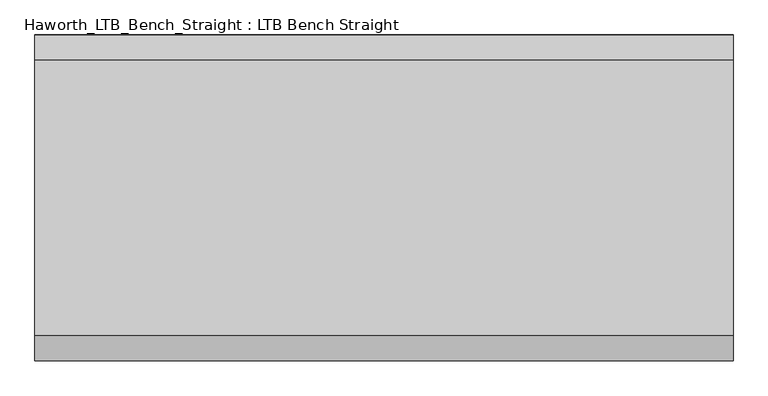
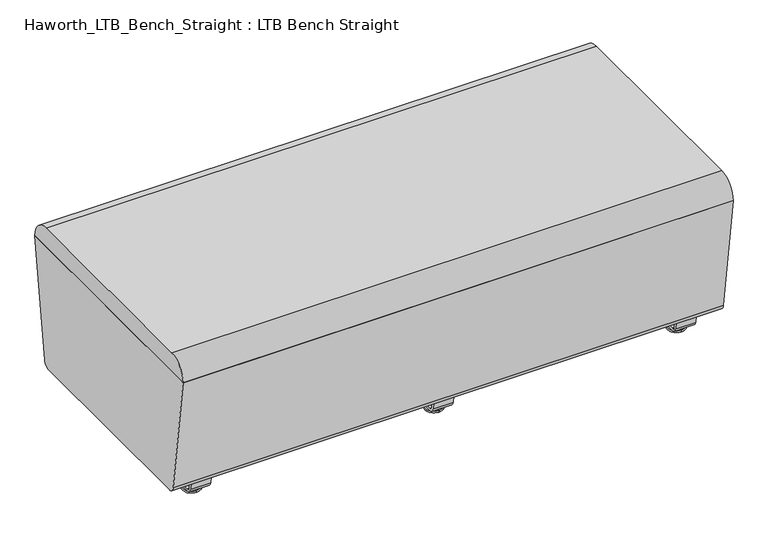
"""IFC4 building model written with IfcOpenShell, lengths in millimetres: furniture geometry, Haworth_LTB_Bench_Straight : LTB Bench Straight."""

import ifcopenshell
import ifcopenshell.guid

model = None  # the IFC model being written
_history = None  # IfcOwnerHistory: only IFC2X3 demands one
_inside = {}  # id of a spatial element -> (the spatial element, [elements in it])
_under = {}  # id of a project, library or spatial element -> (it, [spatial elements below it])
_declared = {}  # id of a project -> (the project, [libraries it declares])
_typed = {}  # id of a type object -> (the type object, [elements of that type])
_made_of = {}  # id of a material, layer set ... -> (it, [elements and type objects made of it])


def new_model(schema):
    """Start an empty IFC model of exactly this schema.

    Asked for "IFC4X3", IfcOpenShell would pick the latest addendum, in which some entities
    have other attributes; the version numbers below select the first issue.
    IFC2X3 requires an IfcOwnerHistory on every rooted entity: one is made here for all.
    """
    global model, _history
    if schema == "IFC4X3":
        model = ifcopenshell.file(schema_version=(4, 3, 0, 0))
    else:
        model = ifcopenshell.file(schema=schema)
    _inside.clear()
    _under.clear()
    _declared.clear()
    _typed.clear()
    _made_of.clear()
    _history = None
    if model.schema == "IFC2X3":
        org = make("IfcOrganization", Name="unknown")
        user = make(
            "IfcPersonAndOrganization",
            ThePerson=make("IfcPerson", FamilyName="unknown"),
            TheOrganization=org,
        )
        app = make(
            "IfcApplication",
            ApplicationDeveloper=org,
            Version="unknown",
            ApplicationFullName="unknown",
            ApplicationIdentifier="unknown",
        )
        _history = make(
            "IfcOwnerHistory",
            OwningUser=user,
            OwningApplication=app,
            ChangeAction="ADDED",
            CreationDate=0,
        )
    return model


def make(cls, **values):
    """One entity of the class cls with the attributes given. An attribute that is None is left unset."""
    return model.create_entity(
        cls, **{name: value for name, value in values.items() if value is not None}
    )


def rooted(cls, **values):
    """An entity with a GlobalId (a new one), such as an element, a storey or a relation."""
    return make(cls, GlobalId=ifcopenshell.guid.new(), OwnerHistory=_history, **values)


def si_unit(unit_type, name, prefix=None):
    """IfcSIUnit, for example si_unit("LENGTHUNIT", "METRE", prefix="MILLI")."""
    return make("IfcSIUnit", UnitType=unit_type, Prefix=prefix, Name=name)


def assignment(units):
    """IfcUnitAssignment: the units of a project."""
    return None if units is None else make("IfcUnitAssignment", Units=units)


def point(xyz):
    """IfcCartesianPoint."""
    return None if xyz is None else make("IfcCartesianPoint", Coordinates=xyz)


def direction(xyz):
    """IfcDirection."""
    return None if xyz is None else make("IfcDirection", DirectionRatios=xyz)


def frame(location, z_axis=None, x_axis=None):
    """IfcAxis2Placement3D, a coordinate frame: its origin and axes. An axis left out is left unset."""
    return make(
        "IfcAxis2Placement3D",
        Location=point(location),
        Axis=direction(z_axis),
        RefDirection=direction(x_axis),
    )


def frame_2d(location, x_axis=None):
    """IfcAxis2Placement2D, a coordinate frame in the plane: its origin and x axis."""
    return make(
        "IfcAxis2Placement2D", Location=point(location), RefDirection=direction(x_axis)
    )


def origin():
    """The frame at (0, 0, 0) with its axes left unset."""
    return frame((0.0, 0.0, 0.0))


def place(relative_to, where):
    """IfcLocalPlacement: puts the frame where relative to a parent placement (None: the world)."""
    return make(
        "IfcLocalPlacement", PlacementRelTo=relative_to, RelativePlacement=where
    )


def context(
    kind, dimensions, precision=None, world=None, true_north=None, identifier=None
):
    """IfcGeometricRepresentationContext, for example the 3D "Model" context."""
    return make(
        "IfcGeometricRepresentationContext",
        ContextIdentifier=identifier,
        ContextType=kind,
        CoordinateSpaceDimension=dimensions,
        Precision=precision,
        WorldCoordinateSystem=world,
        TrueNorth=true_north,
    )


def project(units=None, contexts=None):
    """IfcProject with its units and contexts."""
    return rooted(
        "IfcProject",
        Name="project",
        RepresentationContexts=contexts,
        UnitsInContext=assignment(units),
    )


def spatial(cls, under=None, at=None, **own):
    """A site, building, storey or space (cls), placed at a placement, below another one or the project."""
    s = rooted(cls, ObjectPlacement=at, **own)
    if under is not None:
        _under.setdefault(under.id(), (under, []))[1].append(s)
    return s


def polyline(points):
    """IfcPolyline through the points."""
    return make("IfcPolyline", Points=[point(p) for p in points])


def circle_curve(where, radius):
    """IfcCircle in the frame where."""
    return make("IfcCircle", Position=where, Radius=radius)


def ellipse_curve(where, semi_axis1, semi_axis2):
    """IfcEllipse in the frame where."""
    return make(
        "IfcEllipse", Position=where, SemiAxis1=semi_axis1, SemiAxis2=semi_axis2
    )


def trimmed(basis, trim1, trim2, sense, master):
    """IfcTrimmedCurve: the piece of a basis curve between two trims."""
    return make(
        "IfcTrimmedCurve",
        BasisCurve=basis,
        Trim1=trim1,
        Trim2=trim2,
        SenseAgreement=sense,
        MasterRepresentation=master,
    )


def segment(curve, same_sense, transition):
    """IfcCompositeCurveSegment."""
    return make(
        "IfcCompositeCurveSegment",
        Transition=transition,
        SameSense=same_sense,
        ParentCurve=curve,
    )


def composite_curve(segments, self_intersect=None):
    """IfcCompositeCurve: segments joined end to end."""
    return make("IfcCompositeCurve", Segments=segments, SelfIntersect=self_intersect)


def outline(outer, holes=None, kind="AREA"):
    """IfcArbitraryClosedProfileDef: a profile drawn as a closed curve; with holes, ...WithVoids."""
    if holes is None:
        return make("IfcArbitraryClosedProfileDef", ProfileType=kind, OuterCurve=outer)
    return make(
        "IfcArbitraryProfileDefWithVoids",
        ProfileType=kind,
        OuterCurve=outer,
        InnerCurves=holes,
    )


def extrude(swept, where, along, depth):
    """IfcExtrudedAreaSolid: the profile swept, set in the frame where, extruded along a direction by depth."""
    return make(
        "IfcExtrudedAreaSolid",
        SweptArea=swept,
        Position=where,
        ExtrudedDirection=direction(along),
        Depth=depth,
    )


def shape(context_of_items, identifier, shape_type, items):
    """IfcShapeRepresentation: the items that make up one representation, for example the "Body"."""
    return make(
        "IfcShapeRepresentation",
        ContextOfItems=context_of_items,
        RepresentationIdentifier=identifier,
        RepresentationType=shape_type,
        Items=items,
    )


def source(mapping_origin, context_of_items, identifier, shape_type, items):
    """IfcRepresentationMap: a shape defined once, which mapped items show again and again."""
    return make(
        "IfcRepresentationMap",
        MappingOrigin=mapping_origin,
        MappedRepresentation=shape(context_of_items, identifier, shape_type, items),
    )


def transform(
    local_origin,
    x_axis=None,
    y_axis=None,
    z_axis=None,
    scale=None,
    scale2=None,
    scale3=None,
    uniform=True,
):
    """IfcCartesianTransformationOperator3D, or its non-uniform kind. x_axis, y_axis, z_axis: its Axis1, 2, 3."""
    if uniform:
        return make(
            "IfcCartesianTransformationOperator3D",
            Axis1=direction(x_axis),
            Axis2=direction(y_axis),
            LocalOrigin=point(local_origin),
            Scale=scale,
            Axis3=direction(z_axis),
        )
    return make(
        "IfcCartesianTransformationOperator3DnonUniform",
        Axis1=direction(x_axis),
        Axis2=direction(y_axis),
        LocalOrigin=point(local_origin),
        Scale=scale,
        Axis3=direction(z_axis),
        Scale2=scale2,
        Scale3=scale3,
    )


def mapped(mapping_source, mapping_target):
    """IfcMappedItem: shows the shape of a source again, moved by a transform."""
    return make(
        "IfcMappedItem", MappingSource=mapping_source, MappingTarget=mapping_target
    )


def made_of(thing, what):
    """Note that an element or type object is made of a material, layer set ...; save() writes the relation."""
    if what is not None:
        _made_of.setdefault(what.id(), (what, []))[1].append(thing)
    return thing


def element(
    cls,
    number,
    at=None,
    inside=None,
    cuts=None,
    type_object=None,
    material=None,
    context=None,
    identifier="Body",
    shape_type=None,
    held_by="IfcProductDefinitionShape",
    body=None,
    shapes=None,
    **own,
):
    """One element of the class cls, such as IfcWall. Its Tag is "e" and its number.

    at: its placement. inside: the storey or other place that contains it. cuts: it is an
    opening in that element (IfcRelVoidsElement). A single representation is given by context,
    identifier, shape_type and body (its items); several are given by shapes. held_by: the class
    of the entity that holds the representations. save() writes the other relations.
    """
    e = rooted(cls, Tag="e%d" % number, ObjectPlacement=at, **own)
    if body is not None:
        shapes = [shape(context, identifier, shape_type, body)]
    if shapes is not None:
        e.Representation = make(held_by, Representations=shapes)
    if inside is not None:
        _inside.setdefault(inside.id(), (inside, []))[1].append(e)
    if cuts is not None:
        rooted(
            "IfcRelVoidsElement", RelatingBuildingElement=cuts, RelatedOpeningElement=e
        )
    if type_object is not None:
        _typed.setdefault(type_object.id(), (type_object, []))[1].append(e)
    return made_of(e, material)


def aggregate(whole, parts):
    """IfcRelAggregates: a whole, such as a stair, and the parts it consists of."""
    return rooted("IfcRelAggregates", RelatingObject=whole, RelatedObjects=parts)


def save(model, path):
    """Write the relations noted so far, then the file.

    IfcRelAggregates (storeys below a building ...), IfcRelContainedInSpatialStructure (elements
    in a storey), IfcRelDefinesByType, IfcRelAssociatesMaterial and IfcRelDeclares: one each for
    every whole, place, type object, material and project.
    """
    for whole, parts in _under.values():
        aggregate(whole, parts)
    for where, things in _inside.values():
        rooted(
            "IfcRelContainedInSpatialStructure",
            RelatedElements=things,
            RelatingStructure=where,
        )
    for kind, things in _typed.values():
        rooted("IfcRelDefinesByType", RelatedObjects=things, RelatingType=kind)
    for what, things in _made_of.values():
        rooted("IfcRelAssociatesMaterial", RelatedObjects=things, RelatingMaterial=what)
    for by, libraries in _declared.values():
        rooted("IfcRelDeclares", RelatingContext=by, RelatedDefinitions=libraries)
    model.write(path)


def plane_surface(at):
    """IfcPlane: the flat surface through the origin of the frame at, square to its z axis."""
    return make("IfcPlane", Position=at)


def cylinder_surface(at, radius):
    """IfcCylindricalSurface: all points at the distance radius from the z axis of the frame at."""
    return make("IfcCylindricalSurface", Position=at, Radius=radius)


def revolved_surface(curve, axis_point, axis_direction):
    """IfcSurfaceOfRevolution: the curve turned about the line through axis_point along axis_direction."""
    return make(
        "IfcSurfaceOfRevolution",
        SweptCurve=make("IfcArbitraryOpenProfileDef", ProfileType="CURVE", Curve=curve),
        AxisPosition=make("IfcAxis1Placement", Location=point(axis_point), Axis=direction(axis_direction)),
    )


def advanced_brep(points, edges, surfaces, faces):
    """IfcAdvancedBrep: a solid bounded by faces that lie on surfaces and meet in shared edges.

    An edge is (start, end): straight between two places in points (the first is 0);
    or (start, end, curve); or (start, end, curve, False) where it runs against its curve.
    A face is (place in surfaces, loops), or (place, loops, False) where it looks against
    its surface's normal. A loop lists edges by number (the first is 1), with a minus sign
    where the edge is run from its end to its start. The first loop is the outer one.
    """
    corners = [point(p) for p in points]
    vertices = [make("IfcVertexPoint", VertexGeometry=c) for c in corners]
    made = []
    for start, end, *more in edges:
        made.append(
            make(
                "IfcEdgeCurve",
                EdgeStart=vertices[start],
                EdgeEnd=vertices[end],
                EdgeGeometry=more[0] if more else make("IfcPolyline", Points=[corners[start], corners[end]]),
                SameSense=more[1] if len(more) > 1 else True,
            )
        )
    hull = []
    for where, loops, *sense in faces:
        bounds = []
        for j, loop in enumerate(loops):
            ring = [make("IfcOrientedEdge", EdgeElement=made[abs(k) - 1], Orientation=k > 0) for k in loop]
            bounds.append(
                make(
                    "IfcFaceOuterBound" if j == 0 else "IfcFaceBound",
                    Bound=make("IfcEdgeLoop", EdgeList=ring),
                    Orientation=True,
                )
            )
        hull.append(make("IfcAdvancedFace", Bounds=bounds, FaceSurface=surfaces[where], SameSense=sense[0] if sense else True))
    return make("IfcAdvancedBrep", Outer=make("IfcClosedShell", CfsFaces=hull))


def haworth_ltb_bench_straight_ltb_bench_straight_1170a185(model_context):
    return source(origin(), model_context, "Body", "SolidModel", [
        extrude(outline(composite_curve([segment(polyline([(-282.8541239, 66.3557108), (-326.1820603, 374.65), (326.1820603, 374.65), (282.8541239, 66.3557108)]), True, "CONTINUOUS"), segment(trimmed(circle_curve(frame_2d((264.0390314, 68.9999996)), 18.9999992), [point((282.8541239, 66.3557108))], [point((264.0390314, 50.0000004))], False, "CARTESIAN"), True, "CONTINUOUS"), segment(polyline([(264.0390314, 50.0000004), (-264.0390314, 50.0000004)]), True, "CONTINUOUS"), segment(trimmed(circle_curve(frame_2d((-264.0390314, 68.9999996)), 18.9999992), [point((-264.0390314, 50.0000004))], [point((-282.8541239, 66.3557108))], False, "CARTESIAN"), True, "CONTINUOUS")], self_intersect=False)), frame((-698.5, 0.0, 0.0), z_axis=(1.0, 0.0, 0.0), x_axis=(0.0, 1.0, 0.0)), (0.0, 0.0, 1.0), 1397.0),
        extrude(outline(composite_curve([segment(polyline([(-276.2364583, 425.0000032), (276.2364582, 425.0000032)]), True, "CONTINUOUS"), segment(trimmed(circle_curve(frame_2d((276.2364582, 375.0527771)), 49.9472261), [point((276.2364582, 425.0000032))], [point((326.1820603, 374.65))], False, "CARTESIAN"), True, "CONTINUOUS"), segment(polyline([(326.1820603, 374.65), (-326.1820603, 374.65)]), True, "CONTINUOUS"), segment(trimmed(circle_curve(frame_2d((-276.2364582, 375.0527771)), 49.9472261), [point((-326.1820603, 374.65))], [point((-276.2364583, 425.0000032))], False, "CARTESIAN"), True, "CONTINUOUS")], self_intersect=False)), frame((-698.5, 0.0, 0.0), z_axis=(1.0, 0.0, 0.0), x_axis=(0.0, 1.0, 0.0)), (0.0, 0.0, 1.0), 1397.0),
        advanced_brep(
        [(0.0, 211.0425052, 7.8133431), (0.0, 214.2765284, 7.8133431), (0.0, 223.8015284, 7.8133431), (0.0, 227.0355515, 7.8133431), (0.0, 197.1001513, 4.0775), (0.0, 240.9779054, 4.0775), (0.0, 197.5107026, 0.0), (0.0, 240.5673542, 0.0), (0.0, 219.0390284, 0.0), (0.0, 214.2765284, 50.0000004), (0.0, 219.0390284, 50.0000004), (0.0, 223.8015284, 50.0000004)],
        [
            (0, 1),
            (1, 2, circle_curve(frame((0.0, 219.0390284, 7.8133431), z_axis=(0.0, 0.0, -1.0), x_axis=(0.0, 1.0, 0.0)), 4.7625)),
            (2, 3),
            (3, 0, circle_curve(frame((0.0, 219.0390284, 7.8133431), z_axis=(0.0, 0.0, 1.0), x_axis=(0.0, 1.0, 0.0)), 7.9965232)),
            (2, 1, circle_curve(frame((0.0, 219.0390284, 7.8133431), z_axis=(0.0, 0.0, -1.0), x_axis=(0.0, 1.0, 0.0)), 4.7625)),
            (0, 3, circle_curve(frame((0.0, 219.0390284, 7.8133431), z_axis=(0.0, 0.0, 1.0), x_axis=(0.0, 1.0, 0.0)), 7.9965232)),
            (4, 0),
            (3, 5),
            (5, 4, circle_curve(frame((0.0, 219.0390284, 4.0775), z_axis=(0.0, 0.0, 1.0), x_axis=(0.0, 1.0, 0.0)), 21.9388771)),
            (4, 5, circle_curve(frame((0.0, 219.0390284, 4.0775), z_axis=(0.0, 0.0, 1.0), x_axis=(0.0, 1.0, 0.0)), 21.9388771)),
            (6, 4, circle_curve(frame((0.0, 197.6374745, 2.0721829), z_axis=(-1.0, 0.0, 0.0), x_axis=(0.0, 1.0, 0.0)), 2.0760571)),
            (5, 7, circle_curve(frame((0.0, 240.4405822, 2.0721829), z_axis=(-1.0, 0.0, 0.0), x_axis=(0.0, -1.0, 0.0)), 2.0760571)),
            (7, 6, circle_curve(frame((0.0, 219.0390284, 0.0), z_axis=(0.0, 0.0, 1.0), x_axis=(0.0, 1.0, 0.0)), 21.5283258)),
            (6, 7, circle_curve(frame((0.0, 219.0390284, 0.0), z_axis=(0.0, 0.0, 1.0), x_axis=(0.0, 1.0, 0.0)), 21.5283258)),
            (8, 6),
            (7, 8),
            (9, 10),
            (10, 11),
            (11, 9, circle_curve(frame((0.0, 219.0390284, 50.0000004), z_axis=(0.0, 0.0, 1.0), x_axis=(0.0, 1.0, 0.0)), 4.7625)),
            (9, 11, circle_curve(frame((0.0, 219.0390284, 50.0000004), z_axis=(0.0, 0.0, 1.0), x_axis=(0.0, 1.0, 0.0)), 4.7625)),
            (1, 9),
            (11, 2),
        ],
        [
            plane_surface(frame((0.0, 219.0390284, 7.8133431), z_axis=(0.0, 0.0, 1.0), x_axis=(0.0, 1.0, 0.0))),
            revolved_surface(polyline([(0.0, 227.0355515, 7.8133431), (0.0, 240.9779054, 4.0775)]), (0.0, 219.0390284, 0.0), (0.0, 0.0, -1.0)),
            revolved_surface(trimmed(ellipse_curve(frame((0.0, 240.4405822, 2.0721829), z_axis=(-1.0, 0.0, 0.0), x_axis=(0.0, -1.0, 0.0)), 2.0760571, 2.0760571), [point((0.0, 240.9779054, 4.0775))], [point((0.0, 240.5673542, 0.0))], True, "CARTESIAN"), (0.0, 219.0390284, 0.0), (0.0, 0.0, -1.0)),
            plane_surface(frame((0.0, 219.0390284, 0.0), z_axis=(0.0, 0.0, -1.0), x_axis=(0.0, 1.0, 0.0))),
            plane_surface(frame((0.0, 219.0390284, 50.0000004), z_axis=(0.0, 0.0, 1.0), x_axis=(0.0, 1.0, 0.0))),
            cylinder_surface(frame((0.0, 219.0390284, 0.0), z_axis=(0.0, 0.0, -1.0), x_axis=(0.0, 1.0, 0.0)), 4.7625),
        ],
        [
            (0, [[1, 2, 3, 4]]),
            (0, [[-3, 5, -1, 6]]),
            (1, [[7, -4, 8, 9]]),
            (1, [[-8, -6, -7, 10]]),
            (2, [[11, -9, 12, 13]]),
            (2, [[-12, -10, -11, 14]]),
            (3, [[15, -13, 16]]),
            (3, [[-16, -14, -15]]),
            (4, [[17, 18, 19]]),
            (4, [[-18, -17, 20]]),
            (5, [[21, -19, 22, -2]]),
            (5, [[-22, -20, -21, -5]]),
        ],
    ),
        advanced_brep(
        [(0.0, -214.2765284, 7.8133431), (0.0, -211.0425052, 7.8133431), (0.0, -227.0355515, 7.8133431), (0.0, -223.8015284, 7.8133431), (0.0, -197.1001513, 4.0775), (0.0, -240.9779054, 4.0775), (0.0, -197.5107026, 0.0), (0.0, -240.5673542, 0.0), (0.0, -219.0390284, 0.0), (0.0, -219.0390284, 50.0000004), (0.0, -214.2765284, 50.0000004), (0.0, -223.8015284, 50.0000004)],
        [
            (0, 1),
            (1, 2, circle_curve(frame((0.0, -219.0390284, 7.8133431), z_axis=(0.0, 0.0, 1.0), x_axis=(0.0, -1.0, 0.0)), 7.9965232)),
            (2, 3),
            (3, 0, circle_curve(frame((0.0, -219.0390284, 7.8133431), z_axis=(0.0, 0.0, -1.0), x_axis=(0.0, -1.0, 0.0)), 4.7625)),
            (2, 1, circle_curve(frame((0.0, -219.0390284, 7.8133431), z_axis=(0.0, 0.0, 1.0), x_axis=(0.0, -1.0, 0.0)), 7.9965232)),
            (0, 3, circle_curve(frame((0.0, -219.0390284, 7.8133431), z_axis=(0.0, 0.0, -1.0), x_axis=(0.0, -1.0, 0.0)), 4.7625)),
            (1, 4),
            (4, 5, circle_curve(frame((0.0, -219.0390284, 4.0775), z_axis=(0.0, 0.0, 1.0), x_axis=(0.0, -1.0, 0.0)), 21.9388771)),
            (5, 2),
            (5, 4, circle_curve(frame((0.0, -219.0390284, 4.0775), z_axis=(0.0, 0.0, 1.0), x_axis=(0.0, -1.0, 0.0)), 21.9388771)),
            (4, 6, circle_curve(frame((0.0, -197.6374745, 2.0721829), z_axis=(-1.0, 0.0, 0.0), x_axis=(0.0, -1.0, 0.0)), 2.0760571)),
            (6, 7, circle_curve(frame((0.0, -219.0390284, 0.0), z_axis=(0.0, 0.0, 1.0), x_axis=(0.0, -1.0, 0.0)), 21.5283258)),
            (7, 5, circle_curve(frame((0.0, -240.4405822, 2.0721829), z_axis=(-1.0, 0.0, 0.0), x_axis=(0.0, 1.0, 0.0)), 2.0760571)),
            (7, 6, circle_curve(frame((0.0, -219.0390284, 0.0), z_axis=(0.0, 0.0, 1.0), x_axis=(0.0, -1.0, 0.0)), 21.5283258)),
            (6, 8),
            (8, 7),
            (9, 10),
            (10, 11, circle_curve(frame((0.0, -219.0390284, 50.0000004), z_axis=(0.0, 0.0, 1.0), x_axis=(0.0, -1.0, 0.0)), 4.7625)),
            (11, 9),
            (11, 10, circle_curve(frame((0.0, -219.0390284, 50.0000004), z_axis=(0.0, 0.0, 1.0), x_axis=(0.0, -1.0, 0.0)), 4.7625)),
            (10, 0),
            (3, 11),
        ],
        [
            plane_surface(frame((0.0, -219.0390284, 7.8133431), z_axis=(0.0, 0.0, 1.0), x_axis=(0.0, -1.0, 0.0))),
            revolved_surface(polyline([(0.0, -240.9779054, 4.0775), (0.0, -227.0355515, 7.8133431)]), (0.0, -219.0390284, 0.0), (0.0, 0.0, 1.0)),
            revolved_surface(trimmed(ellipse_curve(frame((0.0, -240.4405822, 2.0721829), z_axis=(-1.0, 0.0, 0.0), x_axis=(0.0, 1.0, 0.0)), 2.0760571, 2.0760571), [point((0.0, -240.5673542, 0.0))], [point((0.0, -240.9779054, 4.0775))], True, "CARTESIAN"), (0.0, -219.0390284, 0.0), (0.0, 0.0, 1.0)),
            plane_surface(frame((0.0, -219.0390284, 0.0), z_axis=(0.0, 0.0, -1.0), x_axis=(0.0, -1.0, 0.0))),
            plane_surface(frame((0.0, -219.0390284, 50.0000004), z_axis=(0.0, 0.0, 1.0), x_axis=(0.0, -1.0, 0.0))),
            cylinder_surface(frame((0.0, -219.0390284, 0.0), z_axis=(0.0, 0.0, 1.0), x_axis=(0.0, -1.0, 0.0)), 4.7625),
        ],
        [
            (0, [[1, 2, 3, 4]]),
            (0, [[-3, 5, -1, 6]]),
            (1, [[7, 8, 9, -2]]),
            (1, [[-9, 10, -7, -5]]),
            (2, [[11, 12, 13, -8]]),
            (2, [[-13, 14, -11, -10]]),
            (3, [[15, 16, -12]]),
            (3, [[-16, -15, -14]]),
            (4, [[17, 18, 19]]),
            (4, [[-19, 20, -17]]),
            (5, [[21, -4, 22, -18]]),
            (5, [[-22, -6, -21, -20]]),
        ],
    ),
        extrude(outline(composite_curve([segment(polyline([(-264.8158944, 62.9950557), (-259.1812615, 63.7869505), (-254.2507241, 28.7043023)]), True, "CONTINUOUS"), segment(trimmed(circle_curve(frame_2d((-245.0313262, 30.0000023)), 9.310002), [point((-254.2507241, 28.7043023))], [point((-245.0313262, 20.6900003))], True, "CARTESIAN"), True, "CONTINUOUS"), segment(polyline([(-245.0313262, 20.6900003), (245.0313262, 20.6900003)]), True, "CONTINUOUS"), segment(trimmed(circle_curve(frame_2d((245.0313262, 30.0000023)), 9.310002), [point((245.0313262, 20.6900003))], [point((254.2507241, 28.7043023))], True, "CARTESIAN"), True, "CONTINUOUS"), segment(polyline([(254.2507241, 28.7043023), (259.1812615, 63.7869505), (264.8158944, 62.9950557), (259.8853496, 27.9124042)]), True, "CONTINUOUS"), segment(trimmed(circle_curve(frame_2d((245.0313276, 30.0000007)), 15.000001), [point((259.8853496, 27.9124042))], [point((245.0313276, 14.9999997))], False, "CARTESIAN"), True, "CONTINUOUS"), segment(polyline([(245.0313276, 14.9999997), (-245.0313276, 14.9999997)]), True, "CONTINUOUS"), segment(trimmed(circle_curve(frame_2d((-245.0313276, 30.0000007)), 15.000001), [point((-245.0313276, 14.9999997))], [point((-259.8853496, 27.9124042))], False, "CARTESIAN"), True, "CONTINUOUS"), segment(polyline([(-259.8853496, 27.9124042), (-264.8158944, 62.9950557)]), True, "CONTINUOUS")], self_intersect=False)), frame((-25.4, 0.0, 0.0), z_axis=(1.0, 0.0, 0.0), x_axis=(0.0, 1.0, 0.0)), (0.0, 0.0, 1.0), 50.8),
        advanced_brep(
        [(616.0045358, 211.0425052, 7.8133431), (616.0045358, 214.2765284, 7.8133431), (616.0045358, 223.8015284, 7.8133431), (616.0045358, 227.0355515, 7.8133431), (616.0045358, 197.1001513, 4.0775), (616.0045358, 240.9779054, 4.0775), (616.0045358, 197.5107026, 0.0), (616.0045358, 240.5673542, 0.0), (616.0045358, 219.0390284, 0.0), (616.0045358, 214.2765284, 50.0000004), (616.0045358, 219.0390284, 50.0000004), (616.0045358, 223.8015284, 50.0000004)],
        [
            (0, 1),
            (1, 2, circle_curve(frame((616.0045358, 219.0390284, 7.8133431), z_axis=(0.0, 0.0, -1.0), x_axis=(0.0, 1.0, 0.0)), 4.7625)),
            (2, 3),
            (3, 0, circle_curve(frame((616.0045358, 219.0390284, 7.8133431), z_axis=(0.0, 0.0, 1.0), x_axis=(0.0, 1.0, 0.0)), 7.9965232)),
            (2, 1, circle_curve(frame((616.0045358, 219.0390284, 7.8133431), z_axis=(0.0, 0.0, -1.0), x_axis=(0.0, 1.0, 0.0)), 4.7625)),
            (0, 3, circle_curve(frame((616.0045358, 219.0390284, 7.8133431), z_axis=(0.0, 0.0, 1.0), x_axis=(0.0, 1.0, 0.0)), 7.9965232)),
            (4, 0),
            (3, 5),
            (5, 4, circle_curve(frame((616.0045358, 219.0390284, 4.0775), z_axis=(0.0, 0.0, 1.0), x_axis=(0.0, 1.0, 0.0)), 21.9388771)),
            (4, 5, circle_curve(frame((616.0045358, 219.0390284, 4.0775), z_axis=(0.0, 0.0, 1.0), x_axis=(0.0, 1.0, 0.0)), 21.9388771)),
            (6, 4, circle_curve(frame((616.0045358, 197.6374745, 2.0721829), z_axis=(-1.0, 0.0, 0.0), x_axis=(0.0, 1.0, 0.0)), 2.0760571)),
            (5, 7, circle_curve(frame((616.0045358, 240.4405822, 2.0721829), z_axis=(-1.0, 0.0, 0.0), x_axis=(0.0, -1.0, 0.0)), 2.0760571)),
            (7, 6, circle_curve(frame((616.0045358, 219.0390284, 0.0), z_axis=(0.0, 0.0, 1.0), x_axis=(0.0, 1.0, 0.0)), 21.5283258)),
            (6, 7, circle_curve(frame((616.0045358, 219.0390284, 0.0), z_axis=(0.0, 0.0, 1.0), x_axis=(0.0, 1.0, 0.0)), 21.5283258)),
            (8, 6),
            (7, 8),
            (9, 10),
            (10, 11),
            (11, 9, circle_curve(frame((616.0045358, 219.0390284, 50.0000004), z_axis=(0.0, 0.0, 1.0), x_axis=(0.0, 1.0, 0.0)), 4.7625)),
            (9, 11, circle_curve(frame((616.0045358, 219.0390284, 50.0000004), z_axis=(0.0, 0.0, 1.0), x_axis=(0.0, 1.0, 0.0)), 4.7625)),
            (1, 9),
            (11, 2),
        ],
        [
            plane_surface(frame((616.0045358, 219.0390284, 7.8133431), z_axis=(0.0, 0.0, 1.0), x_axis=(0.0, 1.0, 0.0))),
            revolved_surface(polyline([(616.0045358, 227.0355515, 7.8133431), (616.0045358, 240.9779054, 4.0775)]), (616.0045358, 219.0390284, 0.0), (0.0, 0.0, -1.0)),
            revolved_surface(trimmed(ellipse_curve(frame((616.0045358, 240.4405822, 2.0721829), z_axis=(-1.0, 0.0, 0.0), x_axis=(0.0, -1.0, 0.0)), 2.0760571, 2.0760571), [point((616.0045358, 240.9779054, 4.0775))], [point((616.0045358, 240.5673542, 0.0))], True, "CARTESIAN"), (616.0045358, 219.0390284, 0.0), (0.0, 0.0, -1.0)),
            plane_surface(frame((616.0045358, 219.0390284, 0.0), z_axis=(0.0, 0.0, -1.0), x_axis=(0.0, 1.0, 0.0))),
            plane_surface(frame((616.0045358, 219.0390284, 50.0000004), z_axis=(0.0, 0.0, 1.0), x_axis=(0.0, 1.0, 0.0))),
            cylinder_surface(frame((616.0045358, 219.0390284, 0.0), z_axis=(0.0, 0.0, -1.0), x_axis=(0.0, 1.0, 0.0)), 4.7625),
        ],
        [
            (0, [[1, 2, 3, 4]]),
            (0, [[-3, 5, -1, 6]]),
            (1, [[7, -4, 8, 9]]),
            (1, [[-8, -6, -7, 10]]),
            (2, [[11, -9, 12, 13]]),
            (2, [[-12, -10, -11, 14]]),
            (3, [[15, -13, 16]]),
            (3, [[-16, -14, -15]]),
            (4, [[17, 18, 19]]),
            (4, [[-18, -17, 20]]),
            (5, [[21, -19, 22, -2]]),
            (5, [[-22, -20, -21, -5]]),
        ],
    ),
        advanced_brep(
        [(616.0045358, -214.2765284, 7.8133431), (616.0045358, -211.0425052, 7.8133431), (616.0045358, -227.0355515, 7.8133431), (616.0045358, -223.8015284, 7.8133431), (616.0045358, -197.1001513, 4.0775), (616.0045358, -240.9779054, 4.0775), (616.0045358, -197.5107026, 0.0), (616.0045358, -240.5673542, 0.0), (616.0045358, -219.0390284, 0.0), (616.0045358, -219.0390284, 50.0000004), (616.0045358, -214.2765284, 50.0000004), (616.0045358, -223.8015284, 50.0000004)],
        [
            (0, 1),
            (1, 2, circle_curve(frame((616.0045358, -219.0390284, 7.8133431), z_axis=(0.0, 0.0, 1.0), x_axis=(0.0, -1.0, 0.0)), 7.9965232)),
            (2, 3),
            (3, 0, circle_curve(frame((616.0045358, -219.0390284, 7.8133431), z_axis=(0.0, 0.0, -1.0), x_axis=(0.0, -1.0, 0.0)), 4.7625)),
            (2, 1, circle_curve(frame((616.0045358, -219.0390284, 7.8133431), z_axis=(0.0, 0.0, 1.0), x_axis=(0.0, -1.0, 0.0)), 7.9965232)),
            (0, 3, circle_curve(frame((616.0045358, -219.0390284, 7.8133431), z_axis=(0.0, 0.0, -1.0), x_axis=(0.0, -1.0, 0.0)), 4.7625)),
            (1, 4),
            (4, 5, circle_curve(frame((616.0045358, -219.0390284, 4.0775), z_axis=(0.0, 0.0, 1.0), x_axis=(0.0, -1.0, 0.0)), 21.9388771)),
            (5, 2),
            (5, 4, circle_curve(frame((616.0045358, -219.0390284, 4.0775), z_axis=(0.0, 0.0, 1.0), x_axis=(0.0, -1.0, 0.0)), 21.9388771)),
            (4, 6, circle_curve(frame((616.0045358, -197.6374745, 2.0721829), z_axis=(-1.0, 0.0, 0.0), x_axis=(0.0, -1.0, 0.0)), 2.0760571)),
            (6, 7, circle_curve(frame((616.0045358, -219.0390284, 0.0), z_axis=(0.0, 0.0, 1.0), x_axis=(0.0, -1.0, 0.0)), 21.5283258)),
            (7, 5, circle_curve(frame((616.0045358, -240.4405822, 2.0721829), z_axis=(-1.0, 0.0, 0.0), x_axis=(0.0, 1.0, 0.0)), 2.0760571)),
            (7, 6, circle_curve(frame((616.0045358, -219.0390284, 0.0), z_axis=(0.0, 0.0, 1.0), x_axis=(0.0, -1.0, 0.0)), 21.5283258)),
            (6, 8),
            (8, 7),
            (9, 10),
            (10, 11, circle_curve(frame((616.0045358, -219.0390284, 50.0000004), z_axis=(0.0, 0.0, 1.0), x_axis=(0.0, -1.0, 0.0)), 4.7625)),
            (11, 9),
            (11, 10, circle_curve(frame((616.0045358, -219.0390284, 50.0000004), z_axis=(0.0, 0.0, 1.0), x_axis=(0.0, -1.0, 0.0)), 4.7625)),
            (10, 0),
            (3, 11),
        ],
        [
            plane_surface(frame((616.0045358, -219.0390284, 7.8133431), z_axis=(0.0, 0.0, 1.0), x_axis=(0.0, -1.0, 0.0))),
            revolved_surface(polyline([(616.0045358, -240.9779054, 4.0775), (616.0045358, -227.0355515, 7.8133431)]), (616.0045358, -219.0390284, 0.0), (0.0, 0.0, 1.0)),
            revolved_surface(trimmed(ellipse_curve(frame((616.0045358, -240.4405822, 2.0721829), z_axis=(-1.0, 0.0, 0.0), x_axis=(0.0, 1.0, 0.0)), 2.0760571, 2.0760571), [point((616.0045358, -240.5673542, 0.0))], [point((616.0045358, -240.9779054, 4.0775))], True, "CARTESIAN"), (616.0045358, -219.0390284, 0.0), (0.0, 0.0, 1.0)),
            plane_surface(frame((616.0045358, -219.0390284, 0.0), z_axis=(0.0, 0.0, -1.0), x_axis=(0.0, -1.0, 0.0))),
            plane_surface(frame((616.0045358, -219.0390284, 50.0000004), z_axis=(0.0, 0.0, 1.0), x_axis=(0.0, -1.0, 0.0))),
            cylinder_surface(frame((616.0045358, -219.0390284, 0.0), z_axis=(0.0, 0.0, 1.0), x_axis=(0.0, -1.0, 0.0)), 4.7625),
        ],
        [
            (0, [[1, 2, 3, 4]]),
            (0, [[-3, 5, -1, 6]]),
            (1, [[7, 8, 9, -2]]),
            (1, [[-9, 10, -7, -5]]),
            (2, [[11, 12, 13, -8]]),
            (2, [[-13, 14, -11, -10]]),
            (3, [[15, 16, -12]]),
            (3, [[-16, -15, -14]]),
            (4, [[17, 18, 19]]),
            (4, [[-19, 20, -17]]),
            (5, [[21, -4, 22, -18]]),
            (5, [[-22, -6, -21, -20]]),
        ],
    ),
        extrude(outline(composite_curve([segment(polyline([(-264.8158944, 62.9950557), (-259.1812615, 63.7869505), (-254.2507241, 28.7043023)]), True, "CONTINUOUS"), segment(trimmed(circle_curve(frame_2d((-245.0313262, 30.0000023)), 9.310002), [point((-254.2507241, 28.7043023))], [point((-245.0313262, 20.6900003))], True, "CARTESIAN"), True, "CONTINUOUS"), segment(polyline([(-245.0313262, 20.6900003), (245.0313262, 20.6900003)]), True, "CONTINUOUS"), segment(trimmed(circle_curve(frame_2d((245.0313262, 30.0000023)), 9.310002), [point((245.0313262, 20.6900003))], [point((254.2507241, 28.7043023))], True, "CARTESIAN"), True, "CONTINUOUS"), segment(polyline([(254.2507241, 28.7043023), (259.1812615, 63.7869505), (264.8158944, 62.9950557), (259.8853496, 27.9124042)]), True, "CONTINUOUS"), segment(trimmed(circle_curve(frame_2d((245.0313276, 30.0000007)), 15.000001), [point((259.8853496, 27.9124042))], [point((245.0313276, 14.9999997))], False, "CARTESIAN"), True, "CONTINUOUS"), segment(polyline([(245.0313276, 14.9999997), (-245.0313276, 14.9999997)]), True, "CONTINUOUS"), segment(trimmed(circle_curve(frame_2d((-245.0313276, 30.0000007)), 15.000001), [point((-245.0313276, 14.9999997))], [point((-259.8853496, 27.9124042))], False, "CARTESIAN"), True, "CONTINUOUS"), segment(polyline([(-259.8853496, 27.9124042), (-264.8158944, 62.9950557)]), True, "CONTINUOUS")], self_intersect=False)), frame((590.6045358, 0.0, 0.0), z_axis=(1.0, 0.0, 0.0), x_axis=(0.0, 1.0, 0.0)), (0.0, 0.0, 1.0), 50.8),
        advanced_brep(
        [(-616.0045358, 214.2765284, 7.8133431), (-616.0045358, 211.0425052, 7.8133431), (-616.0045358, 227.0355515, 7.8133431), (-616.0045358, 223.8015284, 7.8133431), (-616.0045358, 197.1001513, 4.0775), (-616.0045358, 240.9779054, 4.0775), (-616.0045358, 197.5107026, 0.0), (-616.0045358, 240.5673542, 0.0), (-616.0045358, 219.0390284, 0.0), (-616.0045358, 219.0390284, 50.0000004), (-616.0045358, 214.2765284, 50.0000004), (-616.0045358, 223.8015284, 50.0000004)],
        [
            (0, 1),
            (1, 2, circle_curve(frame((-616.0045358, 219.0390284, 7.8133431), z_axis=(0.0, 0.0, 1.0), x_axis=(0.0, 1.0, 0.0)), 7.9965232)),
            (2, 3),
            (3, 0, circle_curve(frame((-616.0045358, 219.0390284, 7.8133431), z_axis=(0.0, 0.0, -1.0), x_axis=(0.0, 1.0, 0.0)), 4.7625)),
            (2, 1, circle_curve(frame((-616.0045358, 219.0390284, 7.8133431), z_axis=(0.0, 0.0, 1.0), x_axis=(0.0, 1.0, 0.0)), 7.9965232)),
            (0, 3, circle_curve(frame((-616.0045358, 219.0390284, 7.8133431), z_axis=(0.0, 0.0, -1.0), x_axis=(0.0, 1.0, 0.0)), 4.7625)),
            (1, 4),
            (4, 5, circle_curve(frame((-616.0045358, 219.0390284, 4.0775), z_axis=(0.0, 0.0, 1.0), x_axis=(0.0, 1.0, 0.0)), 21.9388771)),
            (5, 2),
            (5, 4, circle_curve(frame((-616.0045358, 219.0390284, 4.0775), z_axis=(0.0, 0.0, 1.0), x_axis=(0.0, 1.0, 0.0)), 21.9388771)),
            (4, 6, circle_curve(frame((-616.0045358, 197.6374745, 2.0721829), z_axis=(1.0, 0.0, 0.0), x_axis=(0.0, 1.0, 0.0)), 2.0760571)),
            (6, 7, circle_curve(frame((-616.0045358, 219.0390284, 0.0), z_axis=(0.0, 0.0, 1.0), x_axis=(0.0, 1.0, 0.0)), 21.5283258)),
            (7, 5, circle_curve(frame((-616.0045358, 240.4405822, 2.0721829), z_axis=(1.0, 0.0, 0.0), x_axis=(0.0, -1.0, 0.0)), 2.0760571)),
            (7, 6, circle_curve(frame((-616.0045358, 219.0390284, 0.0), z_axis=(0.0, 0.0, 1.0), x_axis=(0.0, 1.0, 0.0)), 21.5283258)),
            (6, 8),
            (8, 7),
            (9, 10),
            (10, 11, circle_curve(frame((-616.0045358, 219.0390284, 50.0000004), z_axis=(0.0, 0.0, 1.0), x_axis=(0.0, 1.0, 0.0)), 4.7625)),
            (11, 9),
            (11, 10, circle_curve(frame((-616.0045358, 219.0390284, 50.0000004), z_axis=(0.0, 0.0, 1.0), x_axis=(0.0, 1.0, 0.0)), 4.7625)),
            (10, 0),
            (3, 11),
        ],
        [
            plane_surface(frame((-616.0045358, 219.0390284, 7.8133431), z_axis=(0.0, 0.0, 1.0), x_axis=(0.0, 1.0, 0.0))),
            revolved_surface(polyline([(-616.0045358, 240.9779054, 4.0775), (-616.0045358, 227.0355515, 7.8133431)]), (-616.0045358, 219.0390284, 0.0), (0.0, 0.0, 1.0)),
            revolved_surface(trimmed(ellipse_curve(frame((-616.0045358, 240.4405822, 2.0721829), z_axis=(1.0, 0.0, 0.0), x_axis=(0.0, -1.0, 0.0)), 2.0760571, 2.0760571), [point((-616.0045358, 240.5673542, 0.0))], [point((-616.0045358, 240.9779054, 4.0775))], True, "CARTESIAN"), (-616.0045358, 219.0390284, 0.0), (0.0, 0.0, 1.0)),
            plane_surface(frame((-616.0045358, 219.0390284, 0.0), z_axis=(0.0, 0.0, -1.0), x_axis=(0.0, 1.0, 0.0))),
            plane_surface(frame((-616.0045358, 219.0390284, 50.0000004), z_axis=(0.0, 0.0, 1.0), x_axis=(0.0, 1.0, 0.0))),
            cylinder_surface(frame((-616.0045358, 219.0390284, 0.0), z_axis=(0.0, 0.0, 1.0), x_axis=(0.0, 1.0, 0.0)), 4.7625),
        ],
        [
            (0, [[1, 2, 3, 4]]),
            (0, [[-3, 5, -1, 6]]),
            (1, [[7, 8, 9, -2]]),
            (1, [[-9, 10, -7, -5]]),
            (2, [[11, 12, 13, -8]]),
            (2, [[-13, 14, -11, -10]]),
            (3, [[15, 16, -12]]),
            (3, [[-16, -15, -14]]),
            (4, [[17, 18, 19]]),
            (4, [[-19, 20, -17]]),
            (5, [[21, -4, 22, -18]]),
            (5, [[-22, -6, -21, -20]]),
        ],
    ),
        advanced_brep(
        [(-616.0045358, -211.0425052, 7.8133431), (-616.0045358, -214.2765284, 7.8133431), (-616.0045358, -223.8015284, 7.8133431), (-616.0045358, -227.0355515, 7.8133431), (-616.0045358, -197.1001513, 4.0775), (-616.0045358, -240.9779054, 4.0775), (-616.0045358, -197.5107026, 0.0), (-616.0045358, -240.5673542, 0.0), (-616.0045358, -219.0390284, 0.0), (-616.0045358, -214.2765284, 50.0000004), (-616.0045358, -219.0390284, 50.0000004), (-616.0045358, -223.8015284, 50.0000004)],
        [
            (0, 1),
            (1, 2, circle_curve(frame((-616.0045358, -219.0390284, 7.8133431), z_axis=(0.0, 0.0, -1.0), x_axis=(0.0, -1.0, 0.0)), 4.7625)),
            (2, 3),
            (3, 0, circle_curve(frame((-616.0045358, -219.0390284, 7.8133431), z_axis=(0.0, 0.0, 1.0), x_axis=(0.0, -1.0, 0.0)), 7.9965232)),
            (2, 1, circle_curve(frame((-616.0045358, -219.0390284, 7.8133431), z_axis=(0.0, 0.0, -1.0), x_axis=(0.0, -1.0, 0.0)), 4.7625)),
            (0, 3, circle_curve(frame((-616.0045358, -219.0390284, 7.8133431), z_axis=(0.0, 0.0, 1.0), x_axis=(0.0, -1.0, 0.0)), 7.9965232)),
            (4, 0),
            (3, 5),
            (5, 4, circle_curve(frame((-616.0045358, -219.0390284, 4.0775), z_axis=(0.0, 0.0, 1.0), x_axis=(0.0, -1.0, 0.0)), 21.9388771)),
            (4, 5, circle_curve(frame((-616.0045358, -219.0390284, 4.0775), z_axis=(0.0, 0.0, 1.0), x_axis=(0.0, -1.0, 0.0)), 21.9388771)),
            (6, 4, circle_curve(frame((-616.0045358, -197.6374745, 2.0721829), z_axis=(1.0, 0.0, 0.0), x_axis=(0.0, -1.0, 0.0)), 2.0760571)),
            (5, 7, circle_curve(frame((-616.0045358, -240.4405822, 2.0721829), z_axis=(1.0, 0.0, 0.0), x_axis=(0.0, 1.0, 0.0)), 2.0760571)),
            (7, 6, circle_curve(frame((-616.0045358, -219.0390284, 0.0), z_axis=(0.0, 0.0, 1.0), x_axis=(0.0, -1.0, 0.0)), 21.5283258)),
            (6, 7, circle_curve(frame((-616.0045358, -219.0390284, 0.0), z_axis=(0.0, 0.0, 1.0), x_axis=(0.0, -1.0, 0.0)), 21.5283258)),
            (8, 6),
            (7, 8),
            (9, 10),
            (10, 11),
            (11, 9, circle_curve(frame((-616.0045358, -219.0390284, 50.0000004), z_axis=(0.0, 0.0, 1.0), x_axis=(0.0, -1.0, 0.0)), 4.7625)),
            (9, 11, circle_curve(frame((-616.0045358, -219.0390284, 50.0000004), z_axis=(0.0, 0.0, 1.0), x_axis=(0.0, -1.0, 0.0)), 4.7625)),
            (1, 9),
            (11, 2),
        ],
        [
            plane_surface(frame((-616.0045358, -219.0390284, 7.8133431), z_axis=(0.0, 0.0, 1.0), x_axis=(0.0, -1.0, 0.0))),
            revolved_surface(polyline([(-616.0045358, -227.0355515, 7.8133431), (-616.0045358, -240.9779054, 4.0775)]), (-616.0045358, -219.0390284, 0.0), (0.0, 0.0, -1.0)),
            revolved_surface(trimmed(ellipse_curve(frame((-616.0045358, -240.4405822, 2.0721829), z_axis=(1.0, 0.0, 0.0), x_axis=(0.0, 1.0, 0.0)), 2.0760571, 2.0760571), [point((-616.0045358, -240.9779054, 4.0775))], [point((-616.0045358, -240.5673542, 0.0))], True, "CARTESIAN"), (-616.0045358, -219.0390284, 0.0), (0.0, 0.0, -1.0)),
            plane_surface(frame((-616.0045358, -219.0390284, 0.0), z_axis=(0.0, 0.0, -1.0), x_axis=(0.0, -1.0, 0.0))),
            plane_surface(frame((-616.0045358, -219.0390284, 50.0000004), z_axis=(0.0, 0.0, 1.0), x_axis=(0.0, -1.0, 0.0))),
            cylinder_surface(frame((-616.0045358, -219.0390284, 0.0), z_axis=(0.0, 0.0, -1.0), x_axis=(0.0, -1.0, 0.0)), 4.7625),
        ],
        [
            (0, [[1, 2, 3, 4]]),
            (0, [[-3, 5, -1, 6]]),
            (1, [[7, -4, 8, 9]]),
            (1, [[-8, -6, -7, 10]]),
            (2, [[11, -9, 12, 13]]),
            (2, [[-12, -10, -11, 14]]),
            (3, [[15, -13, 16]]),
            (3, [[-16, -14, -15]]),
            (4, [[17, 18, 19]]),
            (4, [[-18, -17, 20]]),
            (5, [[21, -19, 22, -2]]),
            (5, [[-22, -20, -21, -5]]),
        ],
    ),
        extrude(outline(composite_curve([segment(polyline([(-264.8158944, 62.9950557), (-259.1812615, 63.7869505), (-254.2507241, 28.7043023)]), True, "CONTINUOUS"), segment(trimmed(circle_curve(frame_2d((-245.0313262, 30.0000023)), 9.310002), [point((-254.2507241, 28.7043023))], [point((-245.0313262, 20.6900003))], True, "CARTESIAN"), True, "CONTINUOUS"), segment(polyline([(-245.0313262, 20.6900003), (245.0313262, 20.6900003)]), True, "CONTINUOUS"), segment(trimmed(circle_curve(frame_2d((245.0313262, 30.0000023)), 9.310002), [point((245.0313262, 20.6900003))], [point((254.2507241, 28.7043023))], True, "CARTESIAN"), True, "CONTINUOUS"), segment(polyline([(254.2507241, 28.7043023), (259.1812615, 63.7869505), (264.8158944, 62.9950557), (259.8853496, 27.9124042)]), True, "CONTINUOUS"), segment(trimmed(circle_curve(frame_2d((245.0313276, 30.0000007)), 15.000001), [point((259.8853496, 27.9124042))], [point((245.0313276, 14.9999997))], False, "CARTESIAN"), True, "CONTINUOUS"), segment(polyline([(245.0313276, 14.9999997), (-245.0313276, 14.9999997)]), True, "CONTINUOUS"), segment(trimmed(circle_curve(frame_2d((-245.0313276, 30.0000007)), 15.000001), [point((-245.0313276, 14.9999997))], [point((-259.8853496, 27.9124042))], False, "CARTESIAN"), True, "CONTINUOUS"), segment(polyline([(-259.8853496, 27.9124042), (-264.8158944, 62.9950557)]), True, "CONTINUOUS")], self_intersect=False)), frame((-641.4045358, 0.0, 0.0), z_axis=(1.0, 0.0, 0.0), x_axis=(0.0, 1.0, 0.0)), (0.0, 0.0, 1.0), 50.8),
    ])


if __name__ == "__main__":
    model = new_model("IFC4")
    model_context = context("Model", 3, world=origin())
    ifc_project = project(units=[si_unit("LENGTHUNIT", "METRE", prefix="MILLI")], contexts=[model_context])
    site = spatial("IfcSite", under=ifc_project)
    building = spatial("IfcBuilding", under=site)
    placement = place(None, origin())
    haworth_ltb_bench_straight_ltb_bench_straight_shape = haworth_ltb_bench_straight_ltb_bench_straight_1170a185(model_context)
    element("IfcFurniture", 1, ObjectType="Haworth_LTB_Bench_Straight : LTB Bench Straight", at=placement, inside=building, context=model_context, shape_type="MappedRepresentation", body=[
        mapped(haworth_ltb_bench_straight_ltb_bench_straight_shape, transform((0.0, 0.0, 0.0), x_axis=(1.0, 0.0, 0.0), y_axis=(0.0, 1.0, 0.0), z_axis=(0.0, 0.0, 1.0))),
    ])
    save(model, "model.ifc")
